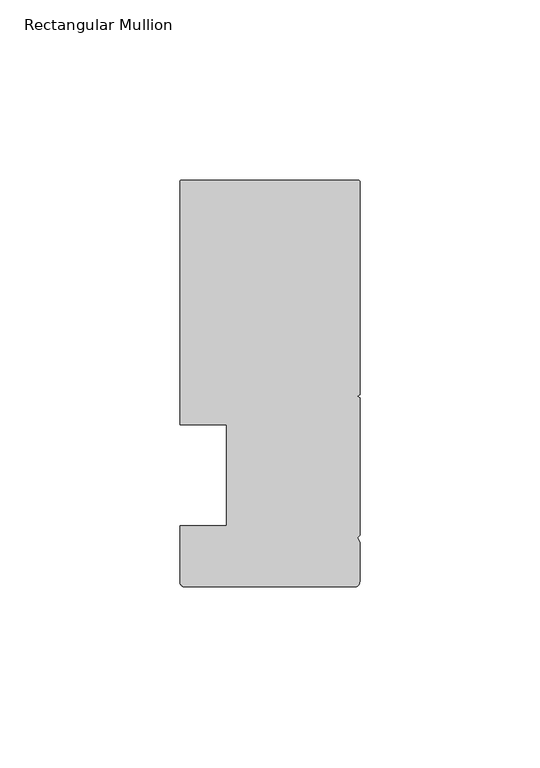
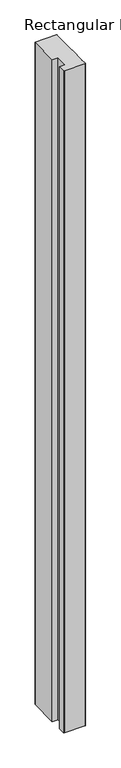
"""IFC4 building model written with IfcOpenShell, lengths in millimetres: member geometry, Rectangular Mullion."""

from ifc_helpers import new_model, si_unit, point, frame, frame_2d, origin, place, context, project, spatial, polyline, circle_curve, trimmed, segment, composite_curve, outline, extrude, source, transform, mapped, element, save


def rectangular_mullion_69930659(model_context):
    return source(origin(), model_context, "Body", "SweptSolid", [
        extrude(outline(composite_curve([segment(trimmed(circle_curve(frame_2d((-49.5, 81.500001)), 0.5), [point((-50.0, 81.500001))], [point((-49.5, 82.000001))], False, "CARTESIAN"), True, "CONTINUOUS"), segment(polyline([(-49.5, 82.000001), (-0.5, 82.000001)]), True, "CONTINUOUS"), segment(trimmed(circle_curve(frame_2d((-0.5, 81.500001)), 0.5), [point((-0.5, 82.000001))], [point((0.0, 81.500001))], False, "CARTESIAN"), True, "CONTINUOUS"), segment(polyline([(0.0, 81.500001), (0.0, 22.4015984), (-0.695587, 22.000001), (0.0, 21.5984037), (0.0, -16.700633), (-0.6643165, -17.3649495), (0.0, -18.5155795), (0.0, -29.499999)]), True, "CONTINUOUS"), segment(trimmed(circle_curve(frame_2d((-1.5, -29.499999)), 1.5), [point((0.0, -29.499999))], [point((-1.5, -30.999999))], False, "CARTESIAN"), True, "CONTINUOUS"), segment(polyline([(-1.5, -30.999999), (-48.5, -30.999999)]), True, "CONTINUOUS"), segment(trimmed(circle_curve(frame_2d((-48.5, -29.499999)), 1.5), [point((-48.5, -30.999999))], [point((-50.0, -29.499999))], False, "CARTESIAN"), True, "CONTINUOUS"), segment(polyline([(-50.0, -29.499999), (-50.0, -14.0), (-36.9999999, -14.0), (-36.9999999, 14.0), (-50.0, 14.0), (-50.0, 81.500001)]), True, "CONTINUOUS")], self_intersect=False)), frame((0.0, 0.0, -1574.3722759), z_axis=(0.0, 0.0, 1.0), x_axis=(1.0, 0.0, 0.0)), (0.0, 0.0, 1.0), 1574.3722759),
    ])


if __name__ == "__main__":
    model = new_model("IFC4")
    model_context = context("Model", 3, world=origin())
    ifc_project = project(units=[si_unit("LENGTHUNIT", "METRE", prefix="MILLI")], contexts=[model_context])
    site = spatial("IfcSite", under=ifc_project)
    building = spatial("IfcBuilding", under=site)
    placement = place(None, origin())
    rectangular_mullion_shape = rectangular_mullion_69930659(model_context)
    element("IfcMember", 1, ObjectType="Rectangular Mullion", at=placement, inside=building, context=model_context, shape_type="MappedRepresentation", body=[
        mapped(rectangular_mullion_shape, transform((0.0, 0.0, 0.0), x_axis=(1.0, 0.0, 0.0), y_axis=(0.0, 1.0, 0.0), z_axis=(0.0, 0.0, 1.0))),
    ])
    save(model, "model.ifc")
